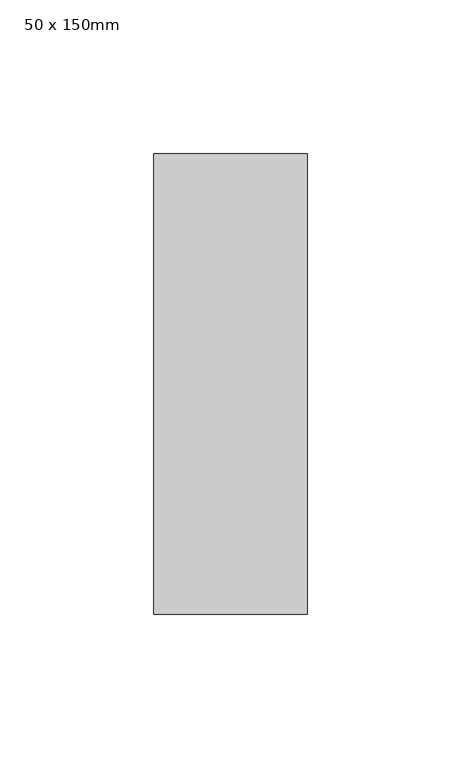
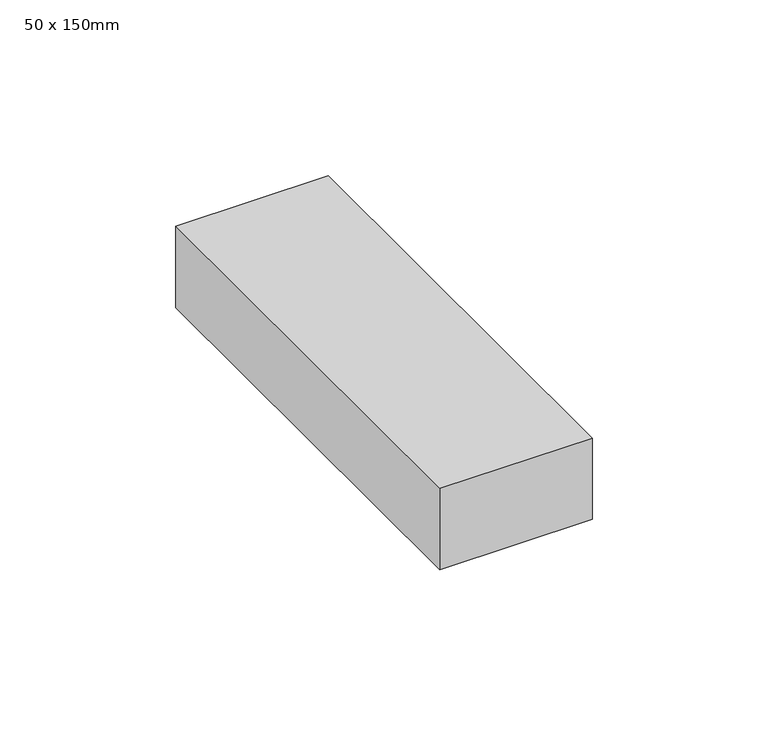
"""IFC4 building model written with IfcOpenShell, lengths in millimetres: member geometry, 50 x 150mm."""

from ifc_helpers import new_model, si_unit, frame, origin, place, context, project, spatial, polyline, outline, extrude, source, transform, mapped, element, save


def member_50_x_150mm_11b48fd6(model_context):
    return source(origin(), model_context, "Body", "SweptSolid", [
        extrude(outline(polyline([(25.0, 75.0), (25.0, -75.0), (-25.0, -75.0), (-25.0, 75.0), (25.0, 75.0)])), frame((0.0, 0.0, -28.2454675), z_axis=(0.0, 0.0, 1.0), x_axis=(1.0, 0.0, 0.0)), (0.0, 0.0, 1.0), 28.2454675),
    ])


if __name__ == "__main__":
    model = new_model("IFC4")
    model_context = context("Model", 3, world=origin())
    ifc_project = project(units=[si_unit("LENGTHUNIT", "METRE", prefix="MILLI")], contexts=[model_context])
    site = spatial("IfcSite", under=ifc_project)
    building = spatial("IfcBuilding", under=site)
    placement = place(None, origin())
    member_50_x_150mm_shape = member_50_x_150mm_11b48fd6(model_context)
    element("IfcMember", 1, ObjectType="50 x 150mm", at=placement, inside=building, context=model_context, shape_type="MappedRepresentation", body=[
        mapped(member_50_x_150mm_shape, transform((0.0, 0.0, 0.0), x_axis=(1.0, 0.0, 0.0), y_axis=(0.0, 1.0, 0.0), z_axis=(0.0, 0.0, 1.0))),
    ])
    save(model, "model.ifc")
